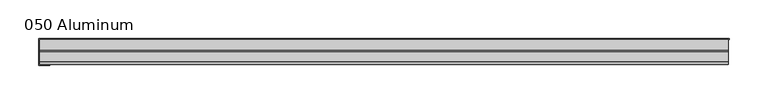
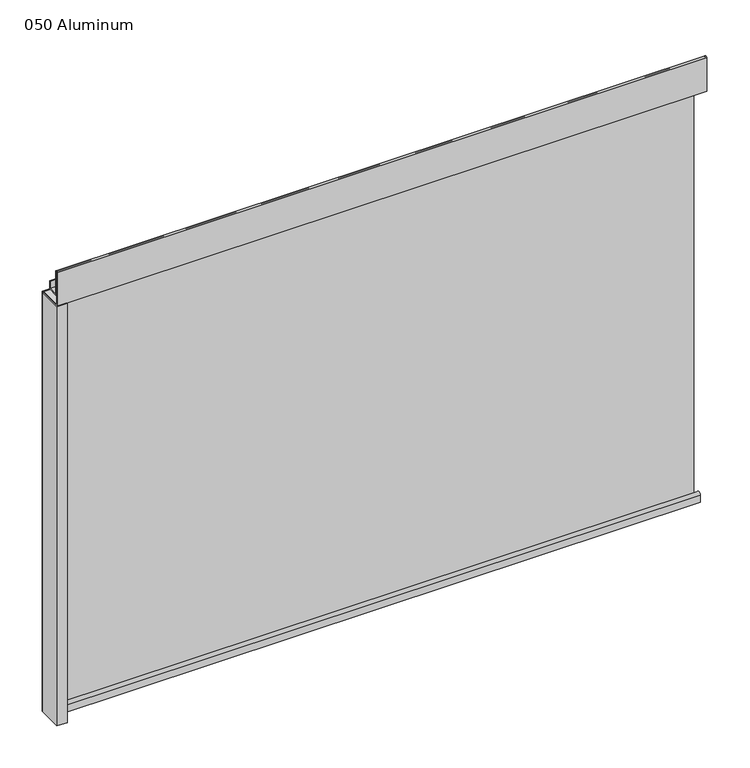
"""IFC4 building model written with IfcOpenShell, lengths in millimetres: plate geometry, 050 Aluminum."""

from ifc_helpers import new_model, si_unit, point, frame, frame_2d, origin, origin_with_axes, place, context, project, spatial, polyline, circle_curve, trimmed, segment, composite_curve, outline, extrude, source, transform, mapped, element, save


def plate_050_aluminum_3134637c(model_context):
    return source(origin(), model_context, "Body", "SweptSolid", [
        extrude(outline(polyline([(-445.6224922, 2.5660257), (-432.7319917, 2.5660257), (-432.7319917, 1.2699999), (-446.8924921, 1.2699999), (-446.8924921, 34.7980001), (-445.6224922, 34.7980001), (-445.6224922, 2.5660257)])), origin_with_axes(), (0.0, 0.0, 1.0), 608.33),
        extrude(outline(composite_curve([segment(trimmed(circle_curve(frame_2d((19.8514743, 13.124237)), 3.175), [point((16.6765477, 13.1458337))], [point((23.0264743, 13.124237))], False, "CARTESIAN"), True, "CONTINUOUS"), segment(polyline([(23.0264743, 13.124237), (23.0264743, 1.2693678), (34.7980002, 1.2693678), (34.7980002, 0.0), (21.7564743, 0.0), (21.7564743, 13.124237)]), True, "CONTINUOUS"), segment(trimmed(circle_curve(frame_2d((19.8514743, 13.124237)), 1.905), [point((21.7564743, 13.124237))], [point((17.9464915, 13.1323356))], True, "CARTESIAN"), True, "CONTINUOUS"), segment(polyline([(17.9464915, 13.1323356), (17.9464915, 2.786437), (16.6765477, 2.786437), (16.6765477, 13.1458337)]), True, "CONTINUOUS")], self_intersect=False)), frame((-445.6224922, 0.0, 0.0), z_axis=(1.0, 0.0, 0.0), x_axis=(0.0, 1.0, 0.0)), (0.0, 0.0, 1.0), 891.2449845),
        extrude(outline(composite_curve([segment(trimmed(circle_curve(frame_2d((3.7084742, 656.7932001)), 1.6509999), [point((2.0574743, 656.7932001))], [point((5.3594742, 656.7932001))], False, "CARTESIAN"), True, "CONTINUOUS"), segment(polyline([(5.3594742, 656.7932001), (5.3594742, 623.57), (19.2164743, 623.57), (19.2164743, 633.6538), (20.4864742, 633.6538), (20.4864742, 622.3), (4.0894742, 622.3), (4.0894742, 656.7932001)]), True, "CONTINUOUS"), segment(trimmed(circle_curve(frame_2d((3.7084742, 656.7932001)), 0.3809999), [point((4.0894742, 656.7932001))], [point((3.3274743, 656.7932001))], True, "CARTESIAN"), True, "CONTINUOUS"), segment(polyline([(3.3274743, 656.7932001), (3.3274743, 609.6000001), (34.7980002, 609.6000001), (34.7980002, 608.33), (2.0574743, 608.33), (2.0574743, 656.7932001)]), True, "CONTINUOUS")], self_intersect=False)), frame((-445.6224922, 0.0, 0.0), z_axis=(1.0, 0.0, 0.0), x_axis=(0.0, 1.0, 0.0)), (0.0, 0.0, 1.0), 891.2449845),
        extrude(outline(polyline([(-446.8924922, 36.068), (446.8924922, 36.068), (446.8924922, 34.7980001), (-446.8924922, 34.7980001), (-446.8924922, 36.068)])), origin_with_axes(), (0.0, 0.0, 1.0), 609.6),
    ])


if __name__ == "__main__":
    model = new_model("IFC4")
    model_context = context("Model", 3, world=origin())
    ifc_project = project(units=[si_unit("LENGTHUNIT", "METRE", prefix="MILLI")], contexts=[model_context])
    site = spatial("IfcSite", under=ifc_project)
    building = spatial("IfcBuilding", under=site)
    placement = place(None, origin())
    plate_050_aluminum_shape = plate_050_aluminum_3134637c(model_context)
    element("IfcPlate", 1, ObjectType="050 Aluminum", at=placement, inside=building, context=model_context, shape_type="MappedRepresentation", body=[
        mapped(plate_050_aluminum_shape, transform((0.0, 0.0, 0.0), x_axis=(1.0, 0.0, 0.0), y_axis=(0.0, 1.0, 0.0), z_axis=(0.0, 0.0, 1.0))),
    ])
    save(model, "model.ifc")
